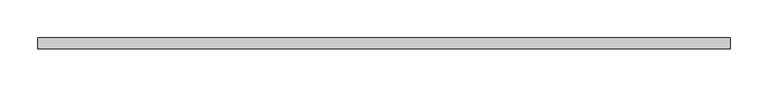
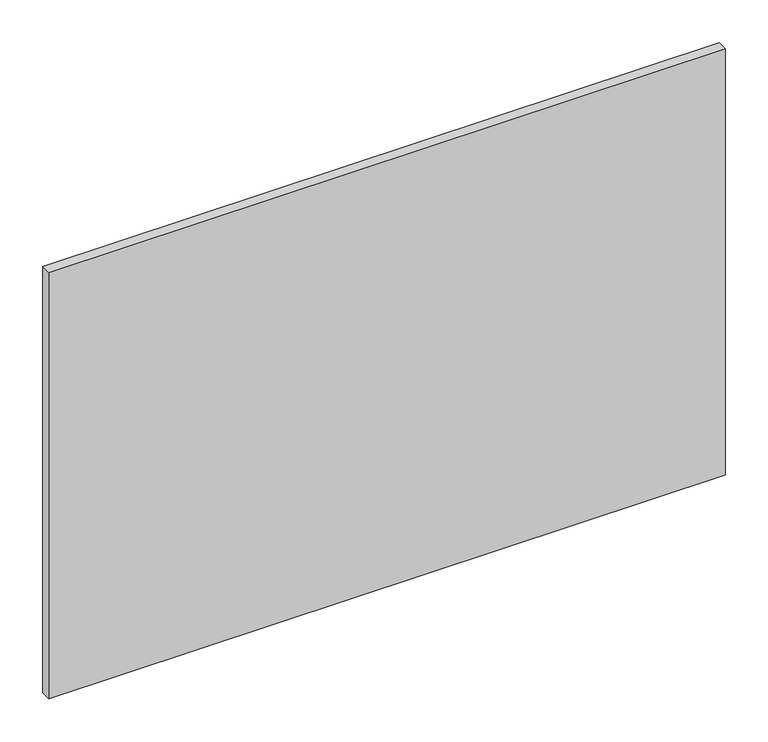
"""IFC4 building model written with IfcOpenShell, lengths in millimetres: furniture geometry."""

from ifc_helpers import new_model, si_unit, frame, origin, place, context, project, spatial, polyline, outline, extrude, source, transform, mapped, element, save


def furniture_701f2620(model_context):
    return source(origin(), model_context, "Body", "SweptSolid", [
        extrude(outline(polyline([(457.2, -34.1082318), (457.2, -48.296513), (-457.2, -48.296513), (-457.2, -34.1082318), (457.2, -34.1082318)])), frame((0.0, 0.0, 1371.6), z_axis=(0.0, 0.0, 1.0), x_axis=(1.0, 0.0, 0.0)), (0.0, 0.0, 1.0), 609.6),
    ])


if __name__ == "__main__":
    model = new_model("IFC4")
    model_context = context("Model", 3, world=origin())
    ifc_project = project(units=[si_unit("LENGTHUNIT", "METRE", prefix="MILLI")], contexts=[model_context])
    site = spatial("IfcSite", under=ifc_project)
    building = spatial("IfcBuilding", under=site)
    placement = place(None, origin())
    furniture_shape = furniture_701f2620(model_context)
    element("IfcFurniture", 1, at=placement, inside=building, context=model_context, shape_type="MappedRepresentation", body=[
        mapped(furniture_shape, transform((0.0, 0.0, 0.0), x_axis=(1.0, 0.0, 0.0), y_axis=(0.0, 1.0, 0.0), z_axis=(0.0, 0.0, 1.0))),
    ])
    save(model, "model.ifc")
